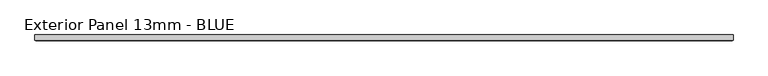
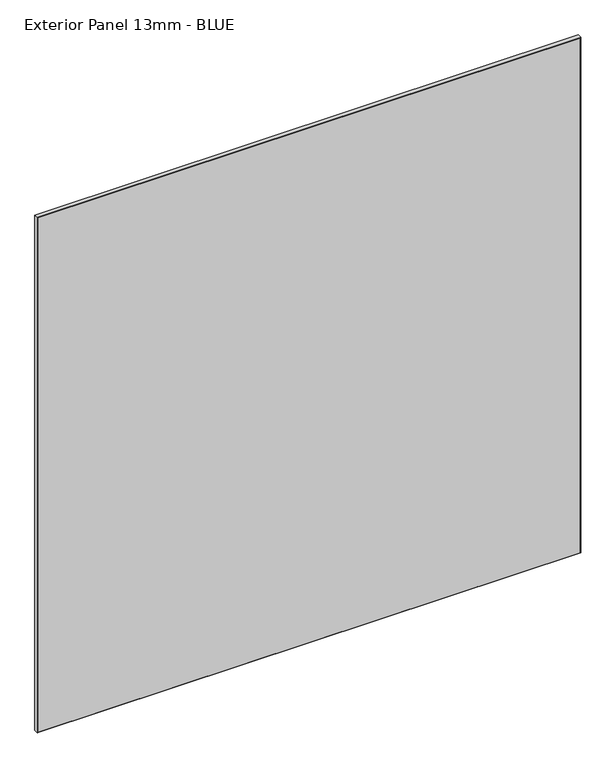
"""IFC4 building model written with IfcOpenShell, lengths in millimetres: proxy geometry, Exterior Panel 13mm - BLUE."""

from ifc_helpers import new_model, si_unit, origin, place, context, project, spatial, faceted_brep, source, transform, mapped, element, save


def exterior_panel_13mm_blue_37a22cde(model_context):
    return source(origin(), model_context, "Body", "Brep", [
        faceted_brep([(1114.425, 6.35, 1524.0), (-406.4, 6.35, 1524.0), (-406.4, -4.7625, 1524.0), (1114.425, -4.7625, 1524.0), (1114.425, 6.35, 0.0), (1114.425, -4.7625, 0.0), (-406.4, -4.7625, 0.0), (-406.4, 6.35, 0.0), (-404.8125, -6.35, 1522.4125), (-404.8125, -6.35, 1.5875), (1112.8375, -6.35, 1.5875), (1112.8375, -6.35, 1522.4125)], [[[0, 1, 2, 3]], [[4, 5, 6, 7]], [[1, 0, 4, 7]], [[2, 1, 7, 6]], [[8, 9, 10, 11]], [[0, 3, 5, 4]], [[2, 6, 9, 8]], [[5, 3, 11, 10]], [[3, 2, 8, 11]], [[6, 5, 10, 9]]]),
    ])


if __name__ == "__main__":
    model = new_model("IFC4")
    model_context = context("Model", 3, world=origin())
    ifc_project = project(units=[si_unit("LENGTHUNIT", "METRE", prefix="MILLI")], contexts=[model_context])
    site = spatial("IfcSite", under=ifc_project)
    building = spatial("IfcBuilding", under=site)
    placement = place(None, origin())
    exterior_panel_13mm_blue_shape = exterior_panel_13mm_blue_37a22cde(model_context)
    element("IfcBuildingElementProxy", 1, Name="Exterior Panel 13mm - BLUE", ObjectType="Exterior Panel 13mm - BLUE", at=placement, inside=building, context=model_context, shape_type="MappedRepresentation", body=[
        mapped(exterior_panel_13mm_blue_shape, transform((0.0, 0.0, 0.0), x_axis=(1.0, 0.0, 0.0), y_axis=(0.0, 1.0, 0.0), z_axis=(0.0, 0.0, 1.0))),
    ])
    save(model, "model.ifc")
